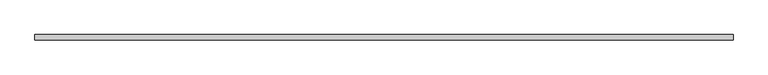
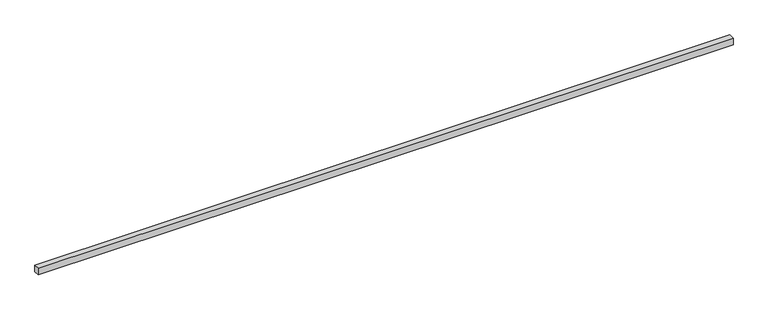
"""IFC4 building model written with IfcOpenShell, lengths in millimetres: proxy geometry."""

from ifc_helpers import new_model, si_unit, origin, origin_with_axes, place, context, project, spatial, polyline, outline, extrude, source, transform, mapped, element, save


def generic_models_06a2a0ea(model_context):
    return source(origin(), model_context, "Body", "SweptSolid", [
        extrude(outline(polyline([(10033.845225, -40.0), (0.0, -40.0), (0.0, 40.0), (10033.845225, 40.0), (10033.845225, -40.0)])), origin_with_axes(), (0.0, 0.0, 1.0), 100.0),
    ])


if __name__ == "__main__":
    model = new_model("IFC4")
    model_context = context("Model", 3, world=origin())
    ifc_project = project(units=[si_unit("LENGTHUNIT", "METRE", prefix="MILLI")], contexts=[model_context])
    site = spatial("IfcSite", under=ifc_project)
    building = spatial("IfcBuilding", under=site)
    placement = place(None, origin())
    generic_models_shape = generic_models_06a2a0ea(model_context)
    element("IfcBuildingElementProxy", 1, Name="Generic Models", at=placement, inside=building, context=model_context, shape_type="MappedRepresentation", body=[
        mapped(generic_models_shape, transform((0.0, 0.0, 0.0), x_axis=(1.0, 0.0, 0.0), y_axis=(0.0, 1.0, 0.0), z_axis=(0.0, 0.0, 1.0))),
    ])
    save(model, "model.ifc")
